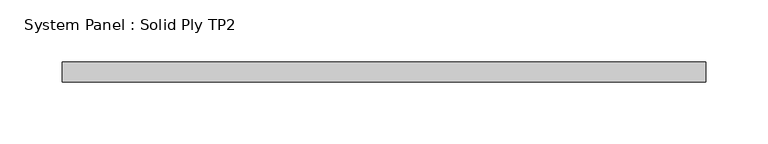
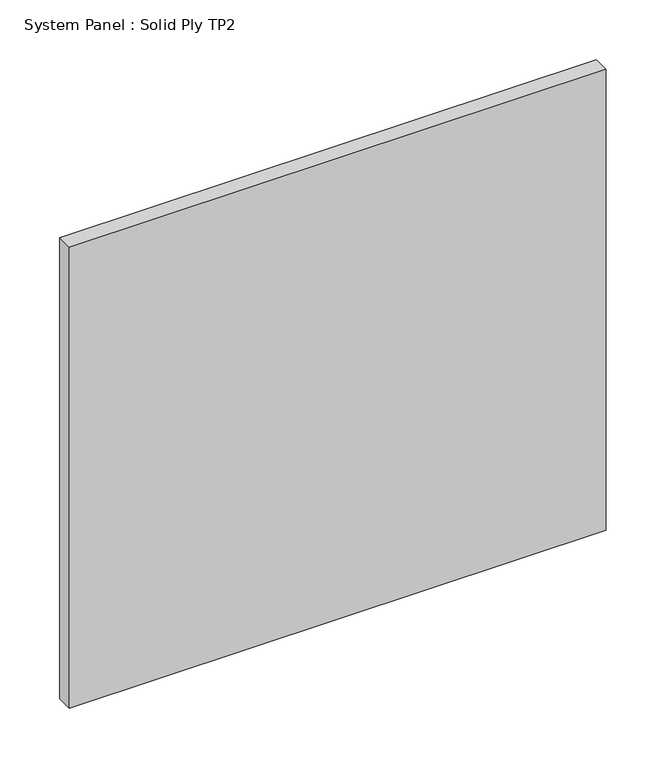
"""IFC4 building model written with IfcOpenShell, lengths in millimetres: plate geometry, System Panel : Solid Ply TP2."""

from ifc_helpers import new_model, si_unit, origin, origin_with_axes, place, context, project, spatial, polyline, outline, extrude, source, transform, mapped, element, save


def system_panel_solid_ply_tp2_133df3e6(model_context):
    return source(origin(), model_context, "Body", "SweptSolid", [
        extrude(outline(polyline([(259.0000006, -23.0), (-259.0000006, -23.0), (-259.0000006, -7.0), (259.0000006, -7.0), (259.0000006, -23.0)])), origin_with_axes(), (0.0, 0.0, 1.0), 470.0),
    ])


if __name__ == "__main__":
    model = new_model("IFC4")
    model_context = context("Model", 3, world=origin())
    ifc_project = project(units=[si_unit("LENGTHUNIT", "METRE", prefix="MILLI")], contexts=[model_context])
    site = spatial("IfcSite", under=ifc_project)
    building = spatial("IfcBuilding", under=site)
    placement = place(None, origin())
    system_panel_solid_ply_tp2_shape = system_panel_solid_ply_tp2_133df3e6(model_context)
    element("IfcPlate", 1, ObjectType="System Panel : Solid Ply TP2", at=placement, inside=building, context=model_context, shape_type="MappedRepresentation", body=[
        mapped(system_panel_solid_ply_tp2_shape, transform((0.0, 0.0, 0.0), x_axis=(1.0, 0.0, 0.0), y_axis=(0.0, 1.0, 0.0), z_axis=(0.0, 0.0, 1.0))),
    ])
    save(model, "model.ifc")
